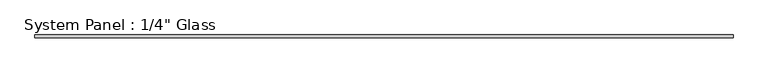
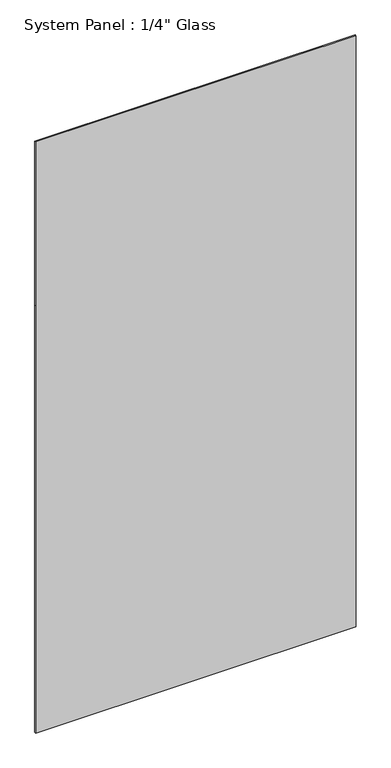
"""IFC4 building model written with IfcOpenShell, lengths in millimetres: plate geometry."""

from ifc_helpers import new_model, si_unit, frame, origin, place, context, project, spatial, polyline, outline, extrude, source, transform, mapped, element, save


def plate_c0e75834(model_context):
    return source(origin(), model_context, "Body", "SweptSolid", [
        extrude(outline(polyline([(0.0, -759.2591185), (0.0, 759.2591185), (2139.95, 759.2591185), (2959.1, 759.2591185), (2959.1, -759.2591185), (2139.95, -759.2591185), (0.0, -759.2591185)])), frame((0.0, -3.175, 0.0), z_axis=(0.0, 1.0, 0.0), x_axis=(0.0, 0.0, 1.0)), (0.0, 0.0, 1.0), 6.35),
    ])


if __name__ == "__main__":
    model = new_model("IFC4")
    model_context = context("Model", 3, world=origin())
    ifc_project = project(units=[si_unit("LENGTHUNIT", "METRE", prefix="MILLI")], contexts=[model_context])
    site = spatial("IfcSite", under=ifc_project)
    building = spatial("IfcBuilding", under=site)
    placement = place(None, origin())
    plate_shape = plate_c0e75834(model_context)
    element("IfcPlate", 1, ObjectType="System Panel : 1/4\" Glass", at=placement, inside=building, context=model_context, shape_type="MappedRepresentation", body=[
        mapped(plate_shape, transform((0.0, 0.0, 0.0), x_axis=(1.0, 0.0, 0.0), y_axis=(0.0, 1.0, 0.0), z_axis=(0.0, 0.0, 1.0))),
    ])
    save(model, "model.ifc")
